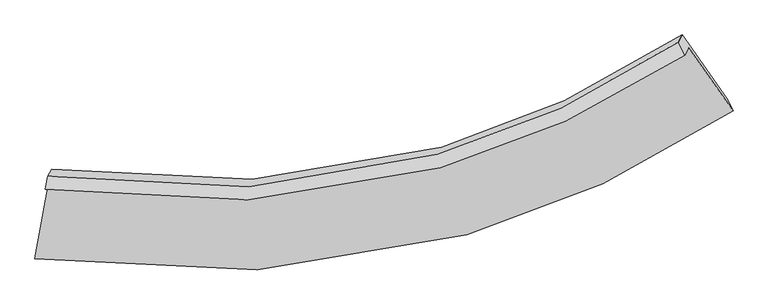
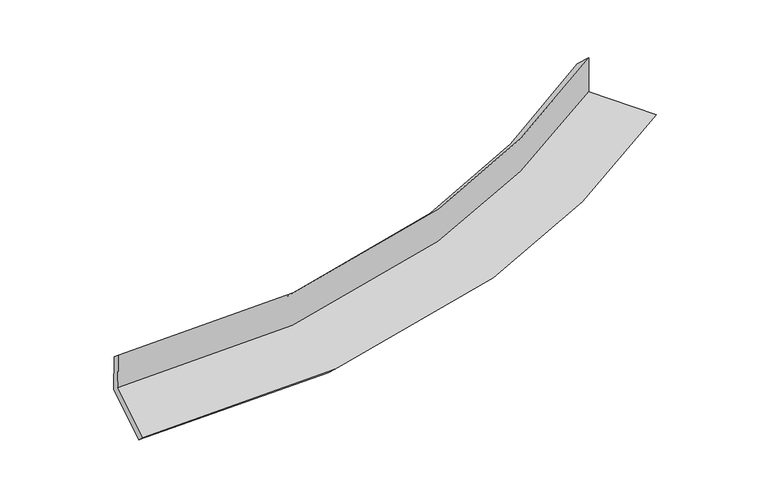
"""IFC4 building model written with IfcOpenShell, lengths in millimetres: proxy geometry."""

from ifc_helpers import new_model, si_unit, frame, origin, place, context, project, spatial, source, transform, mapped, element, save
from ifc_brep_helpers import plane_surface, spline_curve, spline_surface, advanced_brep


def generic_models_2142c384(model_context):
    return source(origin(), model_context, "Body", "AdvancedBrep", [
        advanced_brep(
        [(-3011.9301648, -1989.5322396, 2019.854411), (-2981.4721996, -1929.8417526, 1622.6473191), (2474.76833, -782.1940437, 2200.1271747), (2443.0641714, -844.3267782, 2613.5860698), (-2986.7215998, -1879.3925822, 1926.5036398), (2386.7301995, -733.7842495, 2503.9055896), (-2955.5786828, -1818.3597501, 1520.3639856), (2417.9212269, -672.6571321, 2097.1385192), (-3070.6573111, -2458.1940583, 1415.3883113), (2798.7518532, -1212.3452691, 2045.2388372), (-3098.145306, -2578.5413196, 1516.2171486), (2853.336739, -1318.6763148, 2148.5357882)],
        [
            (0, 1),
            (1, 2, spline_curve(3, [(-2981.4721996, -1929.8417526, 1622.6473191), (-1795.79519866, -2110.818918242, 1689.356893066), (-672.589708065, -2049.252513857, 1784.37636265), (1112.845600359, -1537.372347412, 1991.96526633), (1808.386953115, -1216.389515714, 2089.439081643), (2474.76833, -782.1940437, 2200.1271747)], [4, 2, 4], [0.0, 11.122998747723614, 18.722314053139456])),
            (2, 3),
            (3, 0, spline_curve(3, [(2443.0641714, -844.3267782, 2613.5860698), (1777.34060594, -1277.233093753, 2494.319355912), (1082.258498886, -1597.31591139, 2390.856444851), (-702.534576127, -2107.937450302, 2174.892072789), (-1825.783914575, -2169.589786479, 2080.444431027), (-3011.9301648, -1989.5322396, 2019.854411)], [4, 2, 4], [0.0, 7.599315305415843, 18.722314053139456])),
            (4, 0),
            (3, 5),
            (5, 4, spline_curve(3, [(2386.7301995, -733.7842495, 2503.9055896), (1733.688520036, -1164.784973265, 2383.40423632), (1050.61886049, -1483.757795854, 2280.104603502), (-706.228620733, -1993.604757919, 2067.986525686), (-1814.309561329, -2056.501379046, 1978.818842257), (-2986.7215998, -1879.3925822, 1926.5036398)], [4, 2, 4], [0.0, 7.545895926811122, 18.590705567036984])),
            (6, 4),
            (5, 7),
            (7, 6, spline_curve(3, [(2417.9212269, -672.6571321, 2097.1385192), (1764.653774771, -1104.100317434, 1979.581502997), (1081.447340874, -1423.341186369, 1878.06556831), (-675.517846771, -1933.418824147, 1667.482510923), (-1783.478049196, -1996.078827914, 1576.740267902), (-2955.5786828, -1818.3597501, 1520.3639856)], [4, 2, 4], [0.0, 7.492483486516997, 18.459114174741615])),
            (8, 6),
            (7, 9),
            (9, 8, spline_curve(3, [(2798.7518532, -1212.3452691, 2045.2388372), (2086.812059378, -1684.48031883, 1917.06781778), (1341.514198938, -2033.396130925, 1806.331276618), (-576.848207175, -2589.441245528, 1576.464444817), (-1788.020068613, -2655.808363415, 1477.250810728), (-3070.6573111, -2458.1940583, 1415.3883113)], [4, 2, 4], [0.0, 7.83831772210093, 19.311140562476226])),
            (10, 8),
            (9, 11),
            (11, 10, spline_curve(3, [(2853.336739, -1318.6763148, 2148.5357882), (2129.691094767, -1794.894586832, 2027.141656708), (1372.93152888, -2147.005988779, 1920.295748325), (-573.067408095, -2708.737181981, 1692.90338808), (-1800.135190489, -2776.580781408, 1588.976416575), (-3098.145306, -2578.5413196, 1516.2171486)], [4, 2, 4], [0.0, 8.238908180942465, 20.298068999539154])),
            (1, 10),
            (11, 2),
        ],
        [
            spline_surface(3, 3, [[(-3011.9301648, -1989.5322396, 2019.854411), (-1825.783914477, -2169.589786381, 2080.444431039), (-702.534576071, -2107.937450277, 2174.892072864), (1082.258498848, -1597.315911407, 2390.856444799), (1777.340605833, -1277.233093716, 2494.319355881), (2443.0641714, -844.3267782, 2613.5860698)], [(-3001.777509724, -1969.635410593, 1887.452047034), (-1815.787675842, -2149.99949701, 1950.081918372), (-692.552953419, -2088.375804813, 2044.720169514), (1092.454199355, -1577.334723425, 2257.892718634), (1787.689388257, -1256.951900987, 2359.359264482), (2453.632224278, -823.615866673, 2475.766438081)], [(-2991.624854676, -1949.738581607, 1755.049683066), (-1805.791437237, -2130.40920766, 1819.719405702), (-682.571330753, -2068.814159308, 1914.548266113), (1102.649899876, -1557.353535403, 2124.928992418), (1798.038170646, -1236.67070834, 2224.399173139), (2464.200277122, -802.904955227, 2337.946806419)], [(-2981.4721996, -1929.8417526, 1622.6473191), (-1795.795198602, -2110.81891829, 1689.356893035), (-672.589708101, -2049.252513844, 1784.376362762), (1112.845600384, -1537.372347421, 1991.965266253), (1808.386953069, -1216.389515611, 2089.43908174), (2474.76833, -782.1940437, 2200.1271747)]], [4, 4], [4, 2, 4], [0.0, 1.3094030168297923], [0.0, 11.122998747723614, 18.722314053139456]),
            spline_surface(3, 3, [[(-2986.7215998, -1879.3925822, 1926.5036398), (-1814.309561269, -2056.501379173, 1978.818842105), (-706.228620897, -1993.604757736, 2067.986525868), (1050.618860602, -1483.75779598, 2280.104603377), (1733.68852003, -1164.78497321, 2383.404236196), (2386.7301995, -733.7842495, 2503.9055896)], [(-2995.124454822, -1916.105801349, 1957.620563529), (-1818.134345693, -2094.197514925, 2012.694038412), (-704.997272611, -2031.715655249, 2103.621708181), (1061.165406695, -1521.610501122, 2317.021883832), (1748.239215297, -1202.267680072, 2420.375942758), (2405.508190133, -770.631759094, 2540.465749666)], [(-3003.527309778, -1952.819020451, 1988.737487271), (-1821.959130052, -2131.893650629, 2046.569234732), (-703.765924358, -2069.826552763, 2139.256890552), (1071.711952755, -1559.463206265, 2353.939164344), (1762.789910566, -1239.750386853, 2457.34764932), (2424.286180767, -807.479268606, 2577.025909734)], [(-3011.9301648, -1989.5322396, 2019.854411), (-1825.783914477, -2169.589786381, 2080.444431039), (-702.534576071, -2107.937450277, 2174.892072864), (1082.258498848, -1597.315911407, 2390.856444799), (1777.340605833, -1277.233093716, 2494.319355881), (2443.0641714, -844.3267782, 2613.5860698)]], [4, 4], [4, 2, 4], [0.0, 0.5164810152769906], [0.0, 11.044809640225862, 18.590705567036984]),
            spline_surface(3, 3, [[(-2955.5786828, -1818.3597501, 1520.3639856), (-1783.478049168, -1996.078827832, 1576.740267946), (-675.517846588, -1933.418824081, 1667.482511013), (1081.44734075, -1423.341186414, 1878.065568248), (1764.65377472, -1104.100317508, 1979.581503046), (2417.9212269, -672.6571321, 2097.1385192)], [(-2965.959655108, -1838.704027472, 1655.74387032), (-1793.755219843, -2016.219678284, 1710.766459319), (-685.754771362, -1953.480801981, 1800.983849287), (1071.171180696, -1443.480056285, 2012.078579947), (1754.332023157, -1124.328536073, 2114.189080757), (2407.524217767, -693.032837897, 2232.727542661)], [(-2976.340627492, -1859.048304828, 1791.12375508), (-1804.032390594, -2036.360528721, 1844.792650732), (-695.991696123, -1973.542779836, 1934.485187594), (1060.895020655, -1463.618926109, 2146.091591678), (1744.010271593, -1144.556754646, 2248.796658485), (2397.127208633, -713.408543703, 2368.316566139)], [(-2986.7215998, -1879.3925822, 1926.5036398), (-1814.309561269, -2056.501379173, 1978.818842105), (-706.228620897, -1993.604757736, 2067.986525868), (1050.618860602, -1483.75779598, 2280.104603377), (1733.68852003, -1164.78497321, 2383.404236196), (2386.7301995, -733.7842495, 2503.9055896)]], [4, 4], [4, 2, 4], [0.0, 1.3347732529643537], [0.0, 10.966630688224617, 18.459114174741615]),
            spline_surface(3, 3, [[(-3070.6573111, -2458.1940583, 1415.3883113), (-1788.020068502, -2655.808363304, 1477.250810865), (-576.848207335, -2589.441245674, 1576.464444862), (1341.514199047, -2033.396130826, 1806.331276587), (2086.81205928, -1684.480318742, 1917.067817861), (2798.7518532, -1212.3452691, 2045.2388372)], [(-3032.297768344, -2244.915955564, 1450.380202749), (-1786.506062068, -2435.898518144, 1510.413963241), (-609.738087103, -2370.767105117, 1606.803800277), (1254.825246264, -1830.044482663, 1830.242707171), (1979.425964408, -1491.020318333, 1937.905712925), (2671.808311081, -1032.449223435, 2062.538731202)], [(-2993.938225556, -2031.637852836, 1485.372094151), (-1784.992055603, -2215.988672992, 1543.57711557), (-642.62796682, -2152.092964638, 1637.143155599), (1168.136293532, -1626.692834577, 1854.154137664), (1872.039869592, -1297.560317917, 1958.743607982), (2544.864769019, -852.553177765, 2079.838625198)], [(-2955.5786828, -1818.3597501, 1520.3639856), (-1783.478049168, -1996.078827832, 1576.740267946), (-675.517846588, -1933.418824081, 1667.482511013), (1081.44734075, -1423.341186414, 1878.065568248), (1764.65377472, -1104.100317508, 1979.581503046), (2417.9212269, -672.6571321, 2097.1385192)]], [4, 4], [4, 2, 4], [0.0, 2.1730750654526547], [0.0, 11.472822840375295, 19.311140562476226]),
            spline_surface(3, 3, [[(-3098.145306, -2578.5413196, 1516.2171486), (-1800.135190313, -2776.580781486, 1588.976416462), (-573.06740804, -2708.737181901, 1692.903388076), (1372.931528842, -2147.005988834, 1920.295748328), (2129.691094903, -1794.894586777, 2027.141656634), (2853.336739, -1318.6763148, 2148.5357882)], [(-3088.982641034, -2538.425565837, 1482.607536155), (-1796.096816376, -2736.323308762, 1551.734547918), (-574.327674453, -2668.971869851, 1654.090406984), (1362.459085596, -2109.136036191, 1882.307591061), (2115.398083045, -1758.089830738, 1990.450377072), (2835.141777083, -1283.232632873, 2114.103471229)], [(-3079.819976066, -2498.309812063, 1448.997923745), (-1792.058442438, -2696.065836028, 1514.492679409), (-575.587940922, -2629.206557723, 1615.277425954), (1351.986642294, -2071.266083469, 1844.319433854), (2101.105071139, -1721.285074781, 1953.759097423), (2816.946815117, -1247.788951027, 2079.671154171)], [(-3070.6573111, -2458.1940583, 1415.3883113), (-1788.020068502, -2655.808363304, 1477.250810865), (-576.848207335, -2589.441245674, 1576.464444862), (1341.514199047, -2033.396130826, 1806.331276587), (2086.81205928, -1684.480318742, 1917.067817861), (2798.7518532, -1212.3452691, 2045.2388372)]], [4, 4], [4, 2, 4], [0.0, 0.5411320433701208], [0.0, 12.05916081859669, 20.298068999539154]),
            spline_surface(3, 3, [[(-2981.4721996, -1929.8417526, 1622.6473191), (-1795.795198602, -2110.81891829, 1689.356893035), (-672.589708101, -2049.252513844, 1784.376362762), (1112.845600384, -1537.372347421, 1991.965266253), (1808.386953069, -1216.389515611, 2089.43908174), (2474.76833, -782.1940437, 2200.1271747)], [(-3020.363235069, -2146.074941585, 1587.170595613), (-1797.241862507, -2332.73953934, 1655.89673419), (-639.415608085, -2269.080736501, 1753.885371203), (1199.540909865, -1740.583561196, 1968.075426948), (1915.488333672, -1409.224539361, 2068.673273364), (2600.957799658, -961.021467428, 2182.930045859)], [(-3059.254270531, -2362.308130615, 1551.693872087), (-1798.688526407, -2554.660160436, 1622.436575307), (-606.241508056, -2488.908959245, 1723.394379635), (1286.23621936, -1943.794775059, 1944.185587634), (2022.5897143, -1602.059563027, 2047.90746501), (2727.147269342, -1139.848891072, 2165.732917041)], [(-3098.145306, -2578.5413196, 1516.2171486), (-1800.135190313, -2776.580781486, 1588.976416462), (-573.06740804, -2708.737181901, 1692.903388076), (1372.931528842, -2147.005988834, 1920.295748328), (2129.691094903, -1794.894586777, 2027.141656634), (2853.336739, -1318.6763148, 2148.5357882)]], [4, 4], [4, 2, 4], [0.0, 2.18077340609217], [0.0, 11.631195660084904, 19.577714868140994]),
            plane_surface(frame((2562.4287533, -927.3306312, 2268.0886631), z_axis=(0.814803966252759, 0.5608524506195486, 0.14676179752517204), x_axis=(-0.5747846123061687, 0.8145469799952922, 0.07833177411878423))),
            plane_surface(frame((-3017.417544, -2108.9769504, 1670.1624692), z_axis=(-0.981704770950726, 0.1843712196850855, -0.04757095799347253), x_axis=(-0.07561181147691137, -0.1481814631274629, 0.9860654683896929))),
        ],
        [
            (0, [[1, 2, 3, 4]]),
            (1, [[5, -4, 6, 7]]),
            (2, [[8, -7, 9, 10]]),
            (3, [[11, -10, 12, 13]]),
            (4, [[14, -13, 15, 16]]),
            (5, [[17, -16, 18, -2]]),
            (6, [[-12, -9, -6, -3, -18, -15]]),
            (7, [[-1, -5, -8, -11, -14, -17]]),
        ],
    ),
    ])


if __name__ == "__main__":
    model = new_model("IFC4")
    model_context = context("Model", 3, world=origin())
    ifc_project = project(units=[si_unit("LENGTHUNIT", "METRE", prefix="MILLI")], contexts=[model_context])
    site = spatial("IfcSite", under=ifc_project)
    building = spatial("IfcBuilding", under=site)
    placement = place(None, origin())
    generic_models_shape = generic_models_2142c384(model_context)
    element("IfcBuildingElementProxy", 1, Name="Generic Models", at=placement, inside=building, context=model_context, shape_type="MappedRepresentation", body=[
        mapped(generic_models_shape, transform((0.0, 0.0, 0.0), x_axis=(1.0, 0.0, 0.0), y_axis=(0.0, 1.0, 0.0), z_axis=(0.0, 0.0, 1.0))),
    ])
    save(model, "model.ifc")
